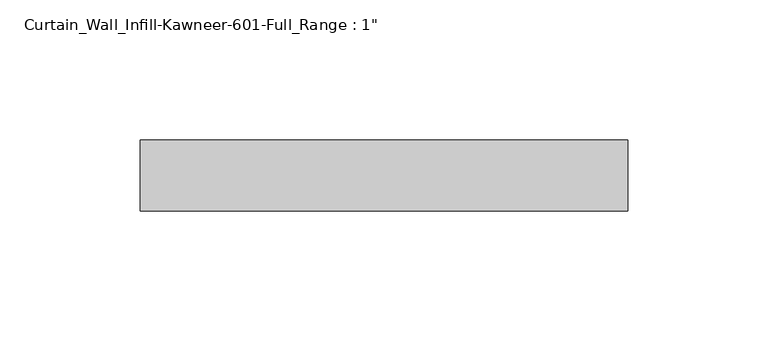
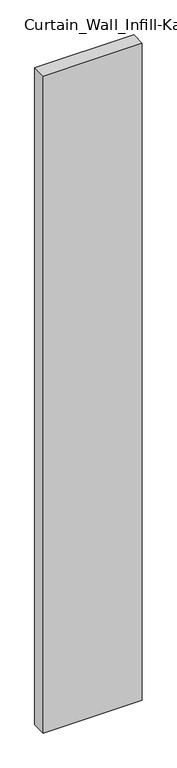
"""IFC4 building model written with IfcOpenShell, lengths in millimetres: plate geometry."""

from ifc_helpers import new_model, si_unit, origin, origin_with_axes, place, context, project, spatial, polyline, outline, extrude, source, transform, mapped, element, save


def plate_49ad8a36(model_context):
    return source(origin(), model_context, "Body", "SweptSolid", [
        extrude(outline(polyline([(-86.991825, -12.7), (-86.991825, 12.7), (86.991825, 12.7), (86.991825, -12.7), (-86.991825, -12.7)])), origin_with_axes(), (0.0, 0.0, 1.0), 1219.2),
    ])


if __name__ == "__main__":
    model = new_model("IFC4")
    model_context = context("Model", 3, world=origin())
    ifc_project = project(units=[si_unit("LENGTHUNIT", "METRE", prefix="MILLI")], contexts=[model_context])
    site = spatial("IfcSite", under=ifc_project)
    building = spatial("IfcBuilding", under=site)
    placement = place(None, origin())
    plate_shape = plate_49ad8a36(model_context)
    element("IfcPlate", 1, ObjectType="Curtain_Wall_Infill-Kawneer-601-Full_Range : 1\"", at=placement, inside=building, context=model_context, shape_type="MappedRepresentation", body=[
        mapped(plate_shape, transform((0.0, 0.0, 0.0), x_axis=(1.0, 0.0, 0.0), y_axis=(0.0, 1.0, 0.0), z_axis=(0.0, 0.0, 1.0))),
    ])
    save(model, "model.ifc")
